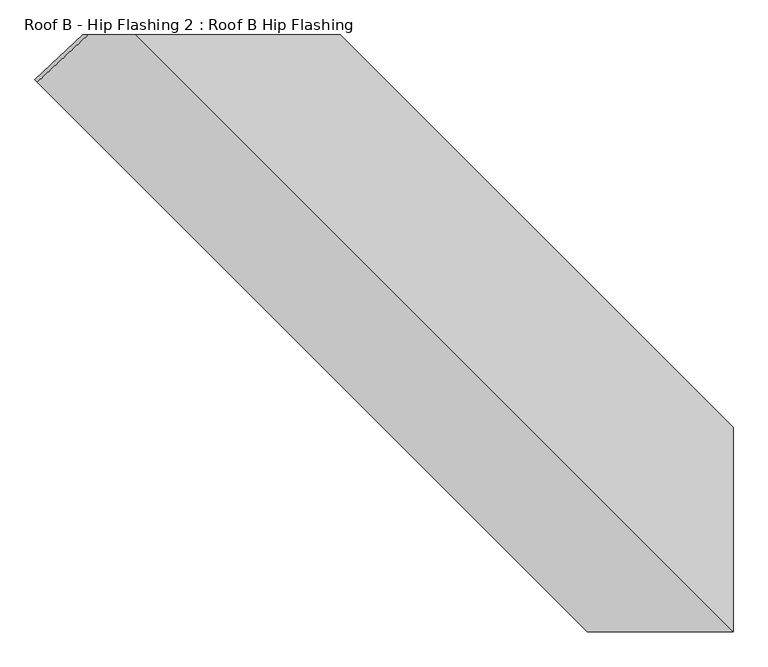
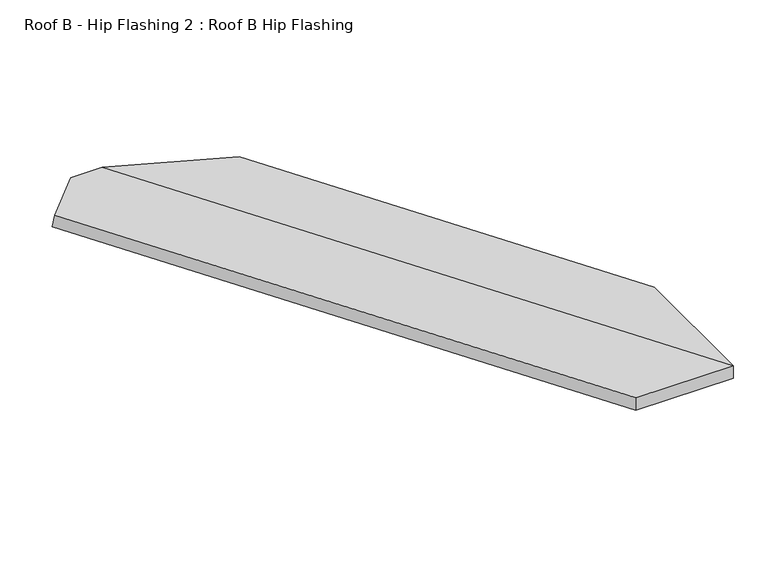
"""IFC4 building model written with IfcOpenShell, lengths in millimetres: proxy geometry, Roof B - Hip Flashing 2 : Roof B Hip Flashing."""

from ifc_helpers import new_model, si_unit, origin, place, context, project, spatial, faceted_brep, source, transform, mapped, element, save


def roof_b_hip_flashing_2_roof_b_hip_flashing_3230926d(model_context):
    return source(origin(), model_context, "Body", "Brep", [
        faceted_brep([(2997.0405716, -3403.4547231, 3588.3395553), (3002.9737333, -3409.3878847, 3632.6252769), (3120.7391864, -3299.5112211, 3662.0666402), (3108.4468813, -3299.5112211, 3616.1911327), (3705.2141237, -3299.5112211, 3489.2228774), (3705.2141237, -3299.5112211, 3535.1026447), (4617.3647416, -4211.661839, 3290.6926232), (4617.3647416, -4211.661839, 3244.8128559), (3231.3780417, -3299.5112211, 3662.0666402), (4617.3647416, -4685.497921, 3290.6926232), (4279.4389969, -4685.8531484, 3290.5974403), (4617.3647416, -4685.8531484, 3290.5974403), (4279.4389969, -4685.8531484, 3244.7219329), (3231.3621437, -3299.5112211, 3616.1911327), (4617.3647416, -4685.513819, 3244.8128559), (4617.3647416, -4685.8531484, 3244.7219329)], [[[0, 1, 2, 3]], [[4, 5, 6, 7]], [[5, 8, 9, 6]], [[1, 10, 11, 9, 8, 2]], [[1, 0, 12, 10]], [[13, 4, 7, 14]], [[12, 0, 3, 13, 14, 15]], [[10, 12, 15, 11]], [[3, 2, 8, 5, 4, 13]], [[7, 6, 9, 11, 15, 14]]]),
    ])


if __name__ == "__main__":
    model = new_model("IFC4")
    model_context = context("Model", 3, world=origin())
    ifc_project = project(units=[si_unit("LENGTHUNIT", "METRE", prefix="MILLI")], contexts=[model_context])
    site = spatial("IfcSite", under=ifc_project)
    building = spatial("IfcBuilding", under=site)
    placement = place(None, origin())
    roof_b_hip_flashing_2_roof_b_hip_flashing_shape = roof_b_hip_flashing_2_roof_b_hip_flashing_3230926d(model_context)
    element("IfcBuildingElementProxy", 1, Name="Roof B - Hip Flashing 2 : Roof B Hip Flashing", ObjectType="Roof B - Hip Flashing 2 : Roof B Hip Flashing", at=placement, inside=building, context=model_context, shape_type="MappedRepresentation", body=[
        mapped(roof_b_hip_flashing_2_roof_b_hip_flashing_shape, transform((0.0, 0.0, 0.0), x_axis=(1.0, 0.0, 0.0), y_axis=(0.0, 1.0, 0.0), z_axis=(0.0, 0.0, 1.0))),
    ])
    save(model, "model.ifc")
